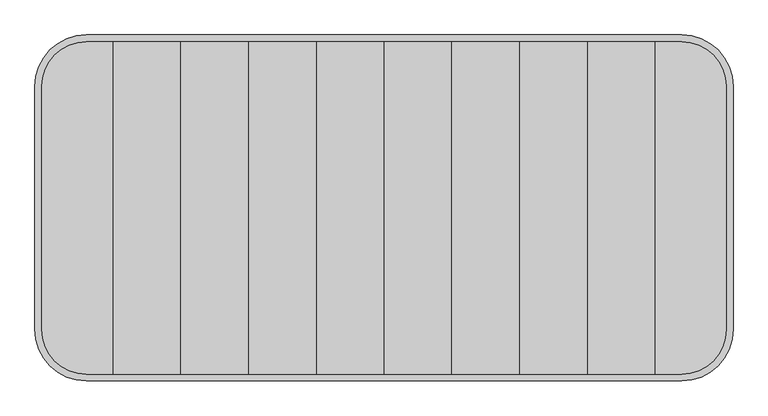
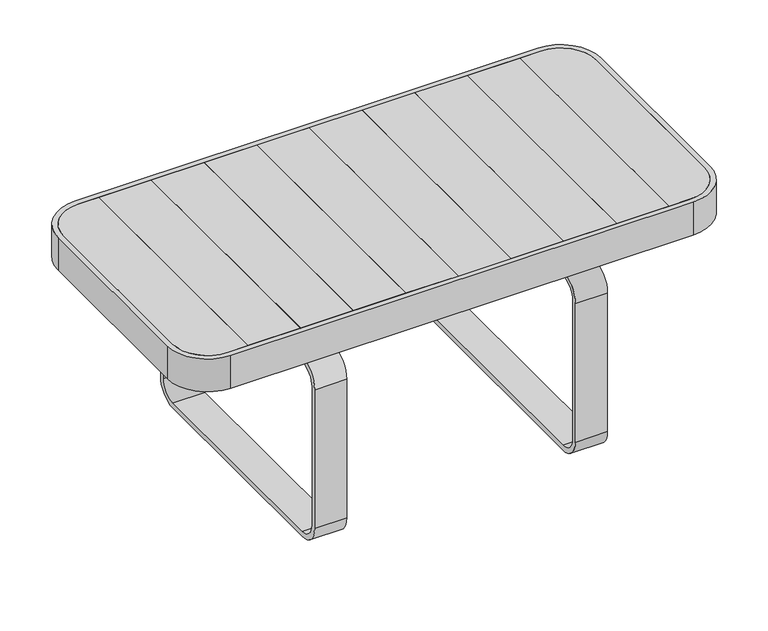
"""IFC4 building model written with IfcOpenShell, lengths in millimetres: furniture geometry."""

from ifc_helpers import new_model, si_unit, point, frame, frame_2d, origin, origin_with_axes, place, context, project, spatial, polyline, circle_curve, trimmed, segment, composite_curve, outline, extrude, source, transform, mapped, element, save
from ifc_brep_helpers import plane_surface, cylinder_surface, advanced_brep


def furniture_ef1442a6(model_context):
    return source(origin(), model_context, "Body", "SolidModel", [
        extrude(outline(composite_curve([segment(polyline([(498.4574582, 177.0), (498.4574582, -177.0)]), True, "CONTINUOUS"), segment(trimmed(circle_curve(frame_2d((433.4574582, -177.0)), 65.0), [point((498.4574582, -177.0))], [point((433.4574582, -242.0))], False, "CARTESIAN"), True, "CONTINUOUS"), segment(polyline([(433.4574582, -242.0), (394.8, -242.0), (394.8, 242.0), (433.4574582, 242.0)]), True, "CONTINUOUS"), segment(trimmed(circle_curve(frame_2d((433.4574582, 177.0)), 65.0), [point((433.4574582, 242.0))], [point((498.4574582, 177.0))], False, "CARTESIAN"), True, "CONTINUOUS")], self_intersect=False)), frame((0.0, 0.0, 422.0), z_axis=(0.0, 0.0, 1.0), x_axis=(1.0, 0.0, 0.0)), (0.0, 0.0, 1.0), 28.0),
        extrude(outline(polyline([(296.1, -242.0), (197.4, -242.0), (197.4, 242.0), (296.1, 242.0), (296.1, -242.0)])), frame((0.0, 0.0, 422.0), z_axis=(0.0, 0.0, 1.0), x_axis=(1.0, 0.0, 0.0)), (0.0, 0.0, 1.0), 28.0),
        extrude(outline(polyline([(197.4, -242.0), (98.7, -242.0), (98.7, 242.0), (197.4, 242.0), (197.4, -242.0)])), frame((0.0, 0.0, 422.0), z_axis=(0.0, 0.0, 1.0), x_axis=(1.0, 0.0, 0.0)), (0.0, 0.0, 1.0), 28.0),
        extrude(outline(polyline([(98.7, -242.0), (0.0, -242.0), (0.0, 242.0), (98.7, 242.0), (98.7, -242.0)])), frame((0.0, 0.0, 422.0), z_axis=(0.0, 0.0, 1.0), x_axis=(1.0, 0.0, 0.0)), (0.0, 0.0, 1.0), 28.0),
        extrude(outline(polyline([(394.8, -242.0), (296.1, -242.0), (296.1, 242.0), (394.8, 242.0), (394.8, -242.0)])), frame((0.0, 0.0, 422.0), z_axis=(0.0, 0.0, 1.0), x_axis=(1.0, 0.0, 0.0)), (0.0, 0.0, 1.0), 28.0),
        extrude(outline(composite_curve([segment(polyline([(250.0000534, 324.9997207), (250.0000534, 49.9997207)]), True, "CONTINUOUS"), segment(trimmed(circle_curve(frame_2d((210.0000534, 49.9997207)), 40.0), [point((250.0000534, 49.9997207))], [point((210.0000534, 9.9997207))], False, "CARTESIAN"), True, "CONTINUOUS"), segment(polyline([(210.0000534, 9.9997207), (-210.0000534, 9.9997207)]), True, "CONTINUOUS"), segment(trimmed(circle_curve(frame_2d((-210.0000534, 49.9997207)), 40.0), [point((-210.0000534, 9.9997207))], [point((-250.0000534, 49.9997207))], False, "CARTESIAN"), True, "CONTINUOUS"), segment(polyline([(-250.0000534, 49.9997207), (-250.0000534, 324.9997207)]), True, "CONTINUOUS"), segment(trimmed(circle_curve(frame_2d((-210.0000534, 324.9997207)), 40.0), [point((-250.0000534, 324.9997207))], [point((-210.0000534, 364.9997207))], False, "CARTESIAN"), True, "CONTINUOUS"), segment(polyline([(-210.0000534, 364.9997207), (-117.9984649, 364.9997207), (-117.9984649, 418.0), (117.9984649, 418.0), (117.9984649, 364.9997207), (210.0000534, 364.9997207)]), True, "CONTINUOUS"), segment(trimmed(circle_curve(frame_2d((210.0000534, 324.9997207)), 40.0), [point((210.0000534, 364.9997207))], [point((250.0000534, 324.9997207))], False, "CARTESIAN"), True, "CONTINUOUS")], self_intersect=False), holes=[composite_curve([segment(polyline([(-240.0000534, 324.9997207), (-240.0000534, 49.9997207)]), True, "CONTINUOUS"), segment(trimmed(circle_curve(frame_2d((-210.0000534, 49.9997207)), 30.0), [point((-240.0000534, 49.9997207))], [point((-210.0000534, 19.9997207))], True, "CARTESIAN"), True, "CONTINUOUS"), segment(polyline([(-210.0000534, 19.9997207), (210.0000534, 19.9997207)]), True, "CONTINUOUS"), segment(trimmed(circle_curve(frame_2d((210.0000534, 49.9997207)), 30.0), [point((210.0000534, 19.9997207))], [point((240.0000534, 49.9997207))], True, "CARTESIAN"), True, "CONTINUOUS"), segment(polyline([(240.0000534, 49.9997207), (240.0000534, 324.9997207)]), True, "CONTINUOUS"), segment(trimmed(circle_curve(frame_2d((210.0000534, 324.9997207)), 30.0), [point((240.0000534, 324.9997207))], [point((210.0000534, 354.9997207))], True, "CARTESIAN"), True, "CONTINUOUS"), segment(polyline([(210.0000534, 354.9997207), (-210.0000534, 354.9997207)]), True, "CONTINUOUS"), segment(trimmed(circle_curve(frame_2d((-210.0000534, 324.9997207)), 30.0), [point((-210.0000534, 354.9997207))], [point((-240.0000534, 324.9997207))], True, "CARTESIAN"), True, "CONTINUOUS")], self_intersect=False), polyline([(-112.9984649, 364.9997207), (112.9984649, 364.9997207), (112.9984649, 413.0), (-112.9984649, 413.0), (-112.9984649, 364.9997207)])]), frame((214.2500379, 0.0, 0.0), z_axis=(1.0, 0.0, 0.0), x_axis=(0.0, 1.0, 0.0)), (0.0, 0.0, 1.0), 60.0),
        extrude(outline(polyline([(-117.9984649, 418.0), (117.9984649, 418.0), (117.9984649, 364.9997207), (112.9984649, 364.9997207), (112.9984649, 413.0), (-112.9984649, 413.0), (-112.9984649, 364.9997207), (-117.9984649, 364.9997207), (-117.9984649, 418.0)])), frame((-274.2500379, 0.0, 0.0), z_axis=(1.0, 0.0, 0.0), x_axis=(0.0, 1.0, 0.0)), (0.0, 0.0, 1.0), 60.0),
        advanced_brep(
        [(-498.4574582, 177.0, 418.0), (-433.4574582, 242.0, 418.0), (433.4574582, 242.0, 418.0), (498.4574582, 177.0, 418.0), (498.4574582, -177.0, 418.0), (433.4574582, -242.0, 418.0), (-433.4574582, -242.0, 418.0), (-498.4574582, -177.0, 418.0), (203.7333261, -142.0, 418.0), (203.7333261, 142.0, 418.0), (-203.7333261, 141.9911227, 418.0), (-203.7333261, -142.0, 418.0), (284.75, 142.0, 418.0), (284.75, -142.0, 418.0), (399.8, -142.0, 418.0), (399.8, 141.9868511, 418.0), (-399.8, -142.0, 418.0), (-284.75, -142.0, 418.0), (-284.75, 142.0, 418.0), (-399.8, 141.9868511, 418.0), (284.75, 141.9868511, 422.0), (284.75, -142.0, 422.0), (-498.4574582, 177.0, 422.0), (-498.4574582, -177.0, 422.0), (-433.4574582, -242.0, 422.0), (433.4574582, -242.0, 422.0), (498.4574582, -177.0, 422.0), (498.4574582, 177.0, 422.0), (433.4574582, 242.0, 422.0), (-433.4574582, 242.0, 422.0), (399.8, 141.9868511, 422.0), (399.8, -142.0, 422.0), (203.7333261, 142.0, 422.0), (203.7333261, -142.0, 422.0), (-203.7333261, -142.0, 422.0), (-203.7333261, 142.0, 422.0), (-399.8, 141.9868511, 422.0), (-284.75, 141.9893576, 422.0), (-284.75, -142.0, 422.0), (-399.8, -142.0, 422.0)],
        [
            (0, 1, circle_curve(frame((-433.4574582, 177.0, 418.0), z_axis=(0.0, 0.0, -1.0), x_axis=(1.0, 0.0, 0.0)), 65.0)),
            (1, 2),
            (2, 3, circle_curve(frame((433.4574582, 177.0, 418.0), z_axis=(0.0, 0.0, -1.0), x_axis=(-1.0, 0.0, 0.0)), 65.0)),
            (3, 4),
            (4, 5, circle_curve(frame((433.4574582, -177.0, 418.0), z_axis=(0.0, 0.0, -1.0), x_axis=(-1.0, 0.0, 0.0)), 65.0)),
            (5, 6),
            (6, 7, circle_curve(frame((-433.4574582, -177.0, 418.0), z_axis=(0.0, 0.0, -1.0), x_axis=(1.0, 0.0, 0.0)), 65.0)),
            (7, 0),
            (8, 9),
            (9, 10),
            (10, 11),
            (11, 8),
            (12, 13),
            (13, 14),
            (14, 15),
            (15, 12),
            (16, 17),
            (17, 18),
            (18, 19),
            (19, 16),
            (12, 20),
            (20, 21),
            (21, 13),
            (22, 23),
            (23, 24, circle_curve(frame((-433.4574582, -177.0, 422.0), z_axis=(0.0, 0.0, 1.0), x_axis=(1.0, 0.0, 0.0)), 65.0)),
            (24, 25),
            (25, 26, circle_curve(frame((433.4574582, -177.0, 422.0), z_axis=(0.0, 0.0, 1.0), x_axis=(-1.0, 0.0, 0.0)), 65.0)),
            (26, 27),
            (27, 28, circle_curve(frame((433.4574582, 177.0, 422.0), z_axis=(0.0, 0.0, 1.0), x_axis=(-1.0, 0.0, 0.0)), 65.0)),
            (28, 29),
            (29, 22, circle_curve(frame((-433.4574582, 177.0, 422.0), z_axis=(0.0, 0.0, 1.0), x_axis=(1.0, 0.0, 0.0)), 65.0)),
            (20, 30),
            (30, 31),
            (31, 21),
            (32, 33),
            (33, 34),
            (34, 35),
            (35, 32),
            (36, 37),
            (37, 38),
            (38, 39),
            (39, 36),
            (8, 33),
            (32, 9),
            (22, 0),
            (7, 23),
            (6, 24),
            (5, 25),
            (4, 26),
            (3, 27),
            (2, 28),
            (1, 29),
            (35, 10),
            (36, 19),
            (18, 37),
            (15, 30),
            (14, 31),
            (11, 34),
            (16, 39),
            (38, 17),
        ],
        [
            plane_surface(frame((203.7333261, -142.0, 418.0), z_axis=(0.0, 0.0, -1.0), x_axis=(0.0, 1.0, 0.0))),
            plane_surface(frame((284.75, -142.0, 418.0), z_axis=(1.0, 0.0, 0.0), x_axis=(0.0, 1.0, 0.0))),
            plane_surface(frame((284.75, -142.0, 422.0), z_axis=(0.0, 0.0, 1.0), x_axis=(0.0, 1.0, 0.0))),
            plane_surface(frame((203.7333261, -142.0, 422.0), z_axis=(-1.0, 0.0, 0.0), x_axis=(0.0, 1.0, 0.0))),
            plane_surface(frame((-498.4574582, 177.0, 422.0), z_axis=(-1.0, 0.0, 0.0), x_axis=(0.0, 0.0, -1.0))),
            cylinder_surface(frame((-433.4574582, -177.0, 418.0), z_axis=(0.0, 0.0, 1.0), x_axis=(1.0, 0.0, 0.0)), 65.0),
            plane_surface(frame((-433.4574582, -242.0, 422.0), z_axis=(0.0, -1.0, 0.0), x_axis=(0.0, 0.0, -1.0))),
            cylinder_surface(frame((433.4574582, -177.0, 418.0), z_axis=(0.0, 0.0, 1.0), x_axis=(-1.0, 0.0, 0.0)), 65.0),
            plane_surface(frame((498.4574582, -177.0, 422.0), z_axis=(1.0, 0.0, 0.0), x_axis=(0.0, 0.0, -1.0))),
            cylinder_surface(frame((433.4574582, 177.0, 418.0), z_axis=(0.0, 0.0, 1.0), x_axis=(-1.0, 0.0, 0.0)), 65.0),
            plane_surface(frame((433.4574582, 242.0, 422.0), z_axis=(0.0, 1.0, 0.0), x_axis=(0.0, 0.0, -1.0))),
            cylinder_surface(frame((-433.4574582, 177.0, 418.0), z_axis=(0.0, 0.0, 1.0), x_axis=(1.0, 0.0, 0.0)), 65.0),
            plane_surface(frame((-399.8, 141.9868511, 422.0), z_axis=(0.0, -1.0, 0.0), x_axis=(0.0, 0.0, -1.0))),
            plane_surface(frame((399.8, 141.9868511, 422.0), z_axis=(-1.0, 0.0, 0.0), x_axis=(0.0, 0.0, -1.0))),
            plane_surface(frame((399.8, -142.0, 422.0), z_axis=(0.0, 1.0, 0.0), x_axis=(0.0, 0.0, -1.0))),
            plane_surface(frame((-399.8, -142.0, 422.0), z_axis=(1.0, 0.0, 0.0), x_axis=(0.0, 0.0, -1.0))),
            plane_surface(frame((-284.75, -142.0, 422.0), z_axis=(-1.0, 0.0, 0.0), x_axis=(0.0, 1.0, 0.0))),
            plane_surface(frame((-203.7333261, -142.0, 418.0), z_axis=(1.0, 0.0, 0.0), x_axis=(0.0, 1.0, 0.0))),
        ],
        [
            (0, [[1, 2, 3, 4, 5, 6, 7, 8], [9, 10, 11, 12], [13, 14, 15, 16], [17, 18, 19, 20]]),
            (1, [[-13, 21, 22, 23]]),
            (2, [[24, 25, 26, 27, 28, 29, 30, 31], [-22, 32, 33, 34], [35, 36, 37, 38], [39, 40, 41, 42]]),
            (3, [[-9, 43, -35, 44]]),
            (4, [[-24, 45, -8, 46]]),
            (5, [[-25, -46, -7, 47]]),
            (6, [[-26, -47, -6, 48]]),
            (7, [[-27, -48, -5, 49]]),
            (8, [[-28, -49, -4, 50]]),
            (9, [[-29, -50, -3, 51]]),
            (10, [[-30, -51, -2, 52]]),
            (11, [[-31, -52, -1, -45]]),
            (12, [[-44, -38, 53, -10]]),
            (12, [[54, -19, 55, -39]]),
            (12, [[56, -32, -21, -16]]),
            (13, [[-33, -56, -15, 57]]),
            (14, [[-43, -12, 58, -36]]),
            (14, [[-57, -14, -23, -34]]),
            (14, [[59, -41, 60, -17]]),
            (15, [[-42, -59, -20, -54]]),
            (16, [[-18, -60, -40, -55]]),
            (17, [[-11, -53, -37, -58]]),
        ],
    ),
        extrude(outline(composite_curve([segment(trimmed(circle_curve(frame_2d((-244.2214692, -190.018381)), 15.0), [point((-259.2214692, -190.018381))], [point((-229.2214692, -190.018381))], False, "CARTESIAN"), True, "CONTINUOUS"), segment(trimmed(circle_curve(frame_2d((-244.2214692, -190.018381)), 15.0), [point((-229.2214692, -190.018381))], [point((-259.2214692, -190.018381))], False, "CARTESIAN"), True, "CONTINUOUS")], self_intersect=False)), origin_with_axes(), (0.0, 0.0, 1.0), 10.0),
        extrude(outline(composite_curve([segment(trimmed(circle_curve(frame_2d((-244.2214692, 190.018381)), 15.0), [point((-259.2214692, 190.018381))], [point((-229.2214692, 190.018381))], False, "CARTESIAN"), True, "CONTINUOUS"), segment(trimmed(circle_curve(frame_2d((-244.2214692, 190.018381)), 15.0), [point((-229.2214692, 190.018381))], [point((-259.2214692, 190.018381))], False, "CARTESIAN"), True, "CONTINUOUS")], self_intersect=False)), origin_with_axes(), (0.0, 0.0, 1.0), 10.0),
        extrude(outline(composite_curve([segment(trimmed(circle_curve(frame_2d((244.2214692, -190.018381)), 15.0), [point((259.2214692, -190.018381))], [point((229.2214692, -190.018381))], False, "CARTESIAN"), True, "CONTINUOUS"), segment(trimmed(circle_curve(frame_2d((244.2214692, -190.018381)), 15.0), [point((229.2214692, -190.018381))], [point((259.2214692, -190.018381))], False, "CARTESIAN"), True, "CONTINUOUS")], self_intersect=False)), origin_with_axes(), (0.0, 0.0, 1.0), 10.0),
        extrude(outline(composite_curve([segment(trimmed(circle_curve(frame_2d((244.2214692, 190.018381)), 15.0), [point((259.2214692, 190.018381))], [point((229.2214692, 190.018381))], False, "CARTESIAN"), True, "CONTINUOUS"), segment(trimmed(circle_curve(frame_2d((244.2214692, 190.018381)), 15.0), [point((229.2214692, 190.018381))], [point((259.2214692, 190.018381))], False, "CARTESIAN"), True, "CONTINUOUS")], self_intersect=False)), origin_with_axes(), (0.0, 0.0, 1.0), 10.0),
        extrude(outline(composite_curve([segment(polyline([(250.0000534, 324.9997207), (250.0000534, 49.9997207)]), True, "CONTINUOUS"), segment(trimmed(circle_curve(frame_2d((210.0000534, 49.9997207)), 40.0), [point((250.0000534, 49.9997207))], [point((210.0000534, 9.9997207))], False, "CARTESIAN"), True, "CONTINUOUS"), segment(polyline([(210.0000534, 9.9997207), (-210.0000534, 9.9997207)]), True, "CONTINUOUS"), segment(trimmed(circle_curve(frame_2d((-210.0000534, 49.9997207)), 40.0), [point((-210.0000534, 9.9997207))], [point((-250.0000534, 49.9997207))], False, "CARTESIAN"), True, "CONTINUOUS"), segment(polyline([(-250.0000534, 49.9997207), (-250.0000534, 324.9997207)]), True, "CONTINUOUS"), segment(trimmed(circle_curve(frame_2d((-210.0000534, 324.9997207)), 40.0), [point((-250.0000534, 324.9997207))], [point((-210.0000534, 364.9997207))], False, "CARTESIAN"), True, "CONTINUOUS"), segment(polyline([(-210.0000534, 364.9997207), (210.0000534, 364.9997207)]), True, "CONTINUOUS"), segment(trimmed(circle_curve(frame_2d((210.0000534, 324.9997207)), 40.0), [point((210.0000534, 364.9997207))], [point((250.0000534, 324.9997207))], False, "CARTESIAN"), True, "CONTINUOUS")], self_intersect=False), holes=[composite_curve([segment(polyline([(-240.0000534, 324.9997207), (-240.0000534, 49.9997207)]), True, "CONTINUOUS"), segment(trimmed(circle_curve(frame_2d((-210.0000534, 49.9997207)), 30.0), [point((-240.0000534, 49.9997207))], [point((-210.0000534, 19.9997207))], True, "CARTESIAN"), True, "CONTINUOUS"), segment(polyline([(-210.0000534, 19.9997207), (210.0000534, 19.9997207)]), True, "CONTINUOUS"), segment(trimmed(circle_curve(frame_2d((210.0000534, 49.9997207)), 30.0), [point((210.0000534, 19.9997207))], [point((240.0000534, 49.9997207))], True, "CARTESIAN"), True, "CONTINUOUS"), segment(polyline([(240.0000534, 49.9997207), (240.0000534, 324.9997207)]), True, "CONTINUOUS"), segment(trimmed(circle_curve(frame_2d((210.0000534, 324.9997207)), 30.0), [point((240.0000534, 324.9997207))], [point((210.0000534, 354.9997207))], True, "CARTESIAN"), True, "CONTINUOUS"), segment(polyline([(210.0000534, 354.9997207), (-210.0000534, 354.9997207)]), True, "CONTINUOUS"), segment(trimmed(circle_curve(frame_2d((-210.0000534, 324.9997207)), 30.0), [point((-210.0000534, 354.9997207))], [point((-240.0000534, 324.9997207))], True, "CARTESIAN"), True, "CONTINUOUS")], self_intersect=False)]), frame((-274.2500379, 0.0, 0.0), z_axis=(1.0, 0.0, 0.0), x_axis=(0.0, 1.0, 0.0)), (0.0, 0.0, 1.0), 60.0),
        extrude(outline(composite_curve([segment(trimmed(circle_curve(frame_2d((-433.4574582, 177.0)), 65.0), [point((-498.4574582, 177.0))], [point((-433.4574582, 242.0))], False, "CARTESIAN"), True, "CONTINUOUS"), segment(polyline([(-433.4574582, 242.0), (-394.8, 242.0), (-394.8, -242.0), (-433.4574582, -242.0)]), True, "CONTINUOUS"), segment(trimmed(circle_curve(frame_2d((-433.4574582, -177.0)), 65.0), [point((-433.4574582, -242.0))], [point((-498.4574582, -177.0))], False, "CARTESIAN"), True, "CONTINUOUS"), segment(polyline([(-498.4574582, -177.0), (-498.4574582, 177.0)]), True, "CONTINUOUS")], self_intersect=False)), frame((0.0, 0.0, 422.0), z_axis=(0.0, 0.0, 1.0), x_axis=(1.0, 0.0, 0.0)), (0.0, 0.0, 1.0), 28.0),
        extrude(outline(polyline([(-197.4, -242.0), (-296.1, -242.0), (-296.1, 242.0), (-197.4, 242.0), (-197.4, -242.0)])), frame((0.0, 0.0, 422.0), z_axis=(0.0, 0.0, 1.0), x_axis=(1.0, 0.0, 0.0)), (0.0, 0.0, 1.0), 28.0),
        extrude(outline(polyline([(-98.7, -242.0), (-197.4, -242.0), (-197.4, 242.0), (-98.7, 242.0), (-98.7, -242.0)])), frame((0.0, 0.0, 422.0), z_axis=(0.0, 0.0, 1.0), x_axis=(1.0, 0.0, 0.0)), (0.0, 0.0, 1.0), 28.0),
        extrude(outline(polyline([(0.0, -242.0), (-98.7, -242.0), (-98.7, 242.0), (0.0, 242.0), (0.0, -242.0)])), frame((0.0, 0.0, 422.0), z_axis=(0.0, 0.0, 1.0), x_axis=(1.0, 0.0, 0.0)), (0.0, 0.0, 1.0), 28.0),
        extrude(outline(polyline([(-296.1, -242.0), (-394.8, -242.0), (-394.8, 242.0), (-296.1, 242.0), (-296.1, -242.0)])), frame((0.0, 0.0, 422.0), z_axis=(0.0, 0.0, 1.0), x_axis=(1.0, 0.0, 0.0)), (0.0, 0.0, 1.0), 28.0),
        extrude(outline(composite_curve([segment(polyline([(508.4574582, 177.0), (508.4574582, -177.0)]), True, "CONTINUOUS"), segment(trimmed(circle_curve(frame_2d((433.4574582, -177.0)), 75.0), [point((508.4574582, -177.0))], [point((433.4574582, -252.0))], False, "CARTESIAN"), True, "CONTINUOUS"), segment(polyline([(433.4574582, -252.0), (-433.4574582, -252.0)]), True, "CONTINUOUS"), segment(trimmed(circle_curve(frame_2d((-433.4574582, -177.0)), 75.0), [point((-433.4574582, -252.0))], [point((-508.4574582, -177.0))], False, "CARTESIAN"), True, "CONTINUOUS"), segment(polyline([(-508.4574582, -177.0), (-508.4574582, 177.0)]), True, "CONTINUOUS"), segment(trimmed(circle_curve(frame_2d((-433.4574582, 177.0)), 75.0), [point((-508.4574582, 177.0))], [point((-433.4574582, 252.0))], False, "CARTESIAN"), True, "CONTINUOUS"), segment(polyline([(-433.4574582, 252.0), (433.4574582, 252.0)]), True, "CONTINUOUS"), segment(trimmed(circle_curve(frame_2d((433.4574582, 177.0)), 75.0), [point((433.4574582, 252.0))], [point((508.4574582, 177.0))], False, "CARTESIAN"), True, "CONTINUOUS")], self_intersect=False), holes=[composite_curve([segment(trimmed(circle_curve(frame_2d((-433.4574582, 177.0)), 65.0), [point((-433.4574582, 242.0))], [point((-498.4574582, 177.0))], True, "CARTESIAN"), True, "CONTINUOUS"), segment(polyline([(-498.4574582, 177.0), (-498.4574582, -177.0)]), True, "CONTINUOUS"), segment(trimmed(circle_curve(frame_2d((-433.4574582, -177.0)), 65.0), [point((-498.4574582, -177.0))], [point((-433.4574582, -242.0))], True, "CARTESIAN"), True, "CONTINUOUS"), segment(polyline([(-433.4574582, -242.0), (433.4574582, -242.0)]), True, "CONTINUOUS"), segment(trimmed(circle_curve(frame_2d((433.4574582, -177.0)), 65.0), [point((433.4574582, -242.0))], [point((498.4574582, -177.0))], True, "CARTESIAN"), True, "CONTINUOUS"), segment(polyline([(498.4574582, -177.0), (498.4574582, 177.0)]), True, "CONTINUOUS"), segment(trimmed(circle_curve(frame_2d((433.4574582, 177.0)), 65.0), [point((498.4574582, 177.0))], [point((433.4574582, 242.0))], True, "CARTESIAN"), True, "CONTINUOUS"), segment(polyline([(433.4574582, 242.0), (-433.4574582, 242.0)]), True, "CONTINUOUS")], self_intersect=False)]), frame((0.0, 0.0, 385.0000413), z_axis=(0.0, 0.0, 1.0), x_axis=(1.0, 0.0, 0.0)), (0.0, 0.0, 1.0), 64.9999587),
    ])


if __name__ == "__main__":
    model = new_model("IFC4")
    model_context = context("Model", 3, world=origin())
    ifc_project = project(units=[si_unit("LENGTHUNIT", "METRE", prefix="MILLI")], contexts=[model_context])
    site = spatial("IfcSite", under=ifc_project)
    building = spatial("IfcBuilding", under=site)
    placement = place(None, origin())
    furniture_shape = furniture_ef1442a6(model_context)
    element("IfcFurniture", 1, at=placement, inside=building, context=model_context, shape_type="MappedRepresentation", body=[
        mapped(furniture_shape, transform((0.0, 0.0, 0.0), x_axis=(1.0, 0.0, 0.0), y_axis=(0.0, 1.0, 0.0), z_axis=(0.0, 0.0, 1.0))),
    ])
    save(model, "model.ifc")
